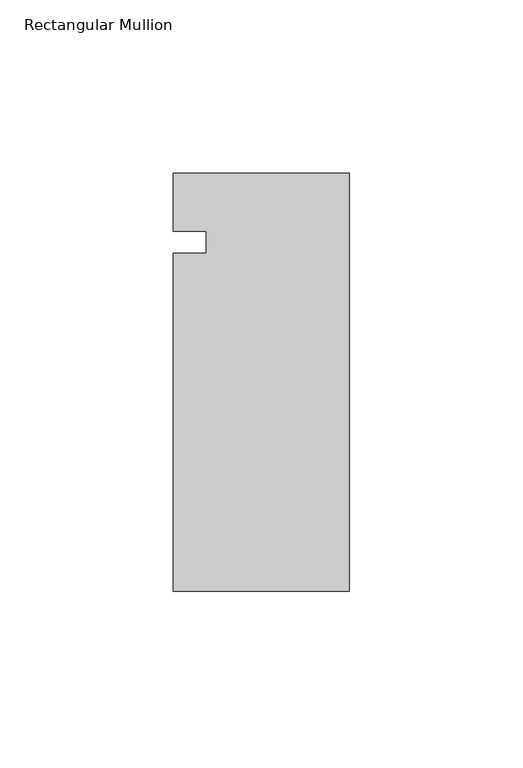
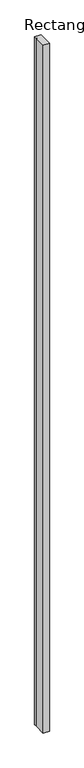
"""IFC4 building model written with IfcOpenShell, lengths in millimetres: member geometry, Rectangular Mullion."""

from ifc_helpers import new_model, si_unit, frame, origin, place, context, project, spatial, polyline, outline, extrude, source, transform, mapped, element, save


def rectangular_mullion_33390647(model_context):
    return source(origin(), model_context, "Body", "SweptSolid", [
        extrude(outline(polyline([(0.0, 59.7726915), (-0.050204, -60.877298), (-50.8501996, -60.8561595), (-50.8096327, 36.6340437), (-41.2846335, 36.6300802), (-41.2819536, 43.070318), (-50.7815528, 43.0742709), (-50.7745956, 59.7938195), (0.0, 59.7726915)])), frame((0.0, 0.0, -6000.75), z_axis=(0.0, 0.0, 1.0), x_axis=(1.0, 0.0, 0.0)), (0.0, 0.0, 1.0), 6000.75),
    ])


if __name__ == "__main__":
    model = new_model("IFC4")
    model_context = context("Model", 3, world=origin())
    ifc_project = project(units=[si_unit("LENGTHUNIT", "METRE", prefix="MILLI")], contexts=[model_context])
    site = spatial("IfcSite", under=ifc_project)
    building = spatial("IfcBuilding", under=site)
    placement = place(None, origin())
    rectangular_mullion_shape = rectangular_mullion_33390647(model_context)
    element("IfcMember", 1, ObjectType="Rectangular Mullion", at=placement, inside=building, context=model_context, shape_type="MappedRepresentation", body=[
        mapped(rectangular_mullion_shape, transform((0.0, 0.0, 0.0), x_axis=(1.0, 0.0, 0.0), y_axis=(0.0, 1.0, 0.0), z_axis=(0.0, 0.0, 1.0))),
    ])
    save(model, "model.ifc")
